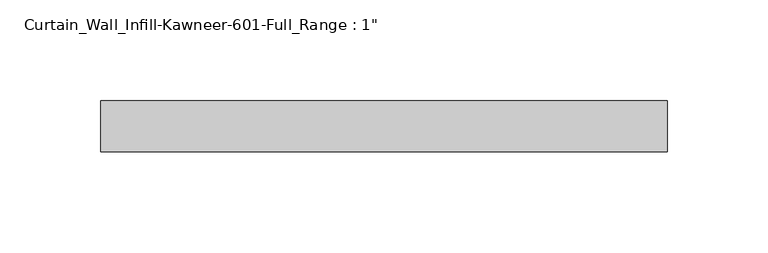
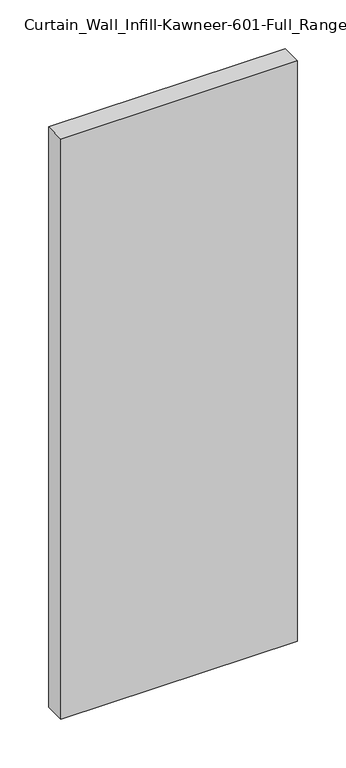
"""IFC4 building model written with IfcOpenShell, lengths in millimetres: plate geometry."""

from ifc_helpers import new_model, si_unit, origin, origin_with_axes, place, context, project, spatial, polyline, outline, extrude, source, transform, mapped, element, save


def plate_9b674a98(model_context):
    return source(origin(), model_context, "Body", "SweptSolid", [
        extrude(outline(polyline([(-140.7583333, -12.7), (-140.7583333, 12.7), (140.7583333, 12.7), (140.7583333, -12.7), (-140.7583333, -12.7)])), origin_with_axes(), (0.0, 0.0, 1.0), 730.25),
    ])


if __name__ == "__main__":
    model = new_model("IFC4")
    model_context = context("Model", 3, world=origin())
    ifc_project = project(units=[si_unit("LENGTHUNIT", "METRE", prefix="MILLI")], contexts=[model_context])
    site = spatial("IfcSite", under=ifc_project)
    building = spatial("IfcBuilding", under=site)
    placement = place(None, origin())
    plate_shape = plate_9b674a98(model_context)
    element("IfcPlate", 1, ObjectType="Curtain_Wall_Infill-Kawneer-601-Full_Range : 1\"", at=placement, inside=building, context=model_context, shape_type="MappedRepresentation", body=[
        mapped(plate_shape, transform((0.0, 0.0, 0.0), x_axis=(1.0, 0.0, 0.0), y_axis=(0.0, 1.0, 0.0), z_axis=(0.0, 0.0, 1.0))),
    ])
    save(model, "model.ifc")
